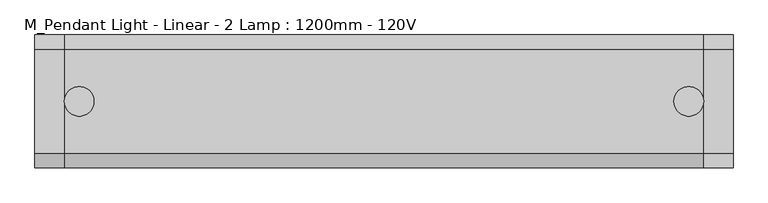
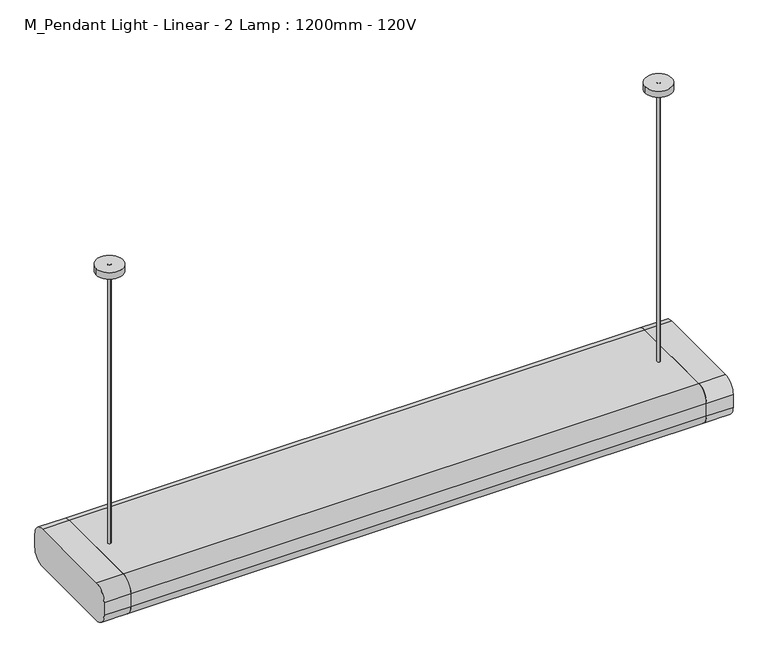
"""IFC4 building model written with IfcOpenShell, lengths in millimetres: light fixture geometry, M_Pendant Light - Linear - 2 Lamp : 1200mm - 120V."""

from ifc_helpers import new_model, si_unit, point, frame, frame_2d, origin, place, context, project, spatial, polyline, circle_curve, trimmed, segment, composite_curve, outline, extrude, source, transform, mapped, element, save


def m_pendant_light_linear_2_lamp_1200mm_120v_860f37b7(model_context):
    return source(origin(), model_context, "Body", "SweptSolid", [
        extrude(outline(composite_curve([segment(trimmed(circle_curve(frame_2d((88.9, 1850.8)), 25.4), [point((88.9, 1876.2))], [point((114.3, 1850.8))], False, "CARTESIAN"), True, "CONTINUOUS"), segment(polyline([(114.3, 1850.8), (114.3, 1825.4)]), True, "CONTINUOUS"), segment(trimmed(circle_curve(frame_2d((88.9, 1825.4)), 25.4), [point((114.3, 1825.4))], [point((88.9, 1800.0))], False, "CARTESIAN"), True, "CONTINUOUS"), segment(polyline([(88.9, 1800.0), (-88.9, 1800.0)]), True, "CONTINUOUS"), segment(trimmed(circle_curve(frame_2d((-88.9, 1825.4)), 25.4), [point((-88.9, 1800.0))], [point((-114.3, 1825.4))], False, "CARTESIAN"), True, "CONTINUOUS"), segment(polyline([(-114.3, 1825.4), (-114.3, 1850.8)]), True, "CONTINUOUS"), segment(trimmed(circle_curve(frame_2d((-88.9, 1850.8)), 25.4), [point((-114.3, 1850.8))], [point((-88.9, 1876.2))], False, "CARTESIAN"), True, "CONTINUOUS"), segment(polyline([(-88.9, 1876.2), (88.9, 1876.2)]), True, "CONTINUOUS")], self_intersect=False)), frame((549.2, 0.0, 0.0), z_axis=(1.0, 0.0, 0.0), x_axis=(0.0, 1.0, 0.0)), (0.0, 0.0, 1.0), 50.8),
        extrude(outline(composite_curve([segment(polyline([(-88.9, 1876.2), (88.9, 1876.2)]), True, "CONTINUOUS"), segment(trimmed(circle_curve(frame_2d((88.9, 1850.8)), 25.4), [point((88.9, 1876.2))], [point((114.3, 1850.8))], False, "CARTESIAN"), True, "CONTINUOUS"), segment(polyline([(114.3, 1850.8), (114.3, 1825.4)]), True, "CONTINUOUS"), segment(trimmed(circle_curve(frame_2d((88.9, 1825.4)), 25.4), [point((114.3, 1825.4))], [point((88.9, 1800.0))], False, "CARTESIAN"), True, "CONTINUOUS"), segment(polyline([(88.9, 1800.0), (-88.9, 1800.0)]), True, "CONTINUOUS"), segment(trimmed(circle_curve(frame_2d((-88.9, 1825.4)), 25.4), [point((-88.9, 1800.0))], [point((-114.3, 1825.4))], False, "CARTESIAN"), True, "CONTINUOUS"), segment(polyline([(-114.3, 1825.4), (-114.3, 1850.8)]), True, "CONTINUOUS"), segment(trimmed(circle_curve(frame_2d((-88.9, 1850.8)), 25.4), [point((-114.3, 1850.8))], [point((-88.9, 1876.2))], False, "CARTESIAN"), True, "CONTINUOUS")], self_intersect=False)), frame((-600.0, 0.0, 0.0), z_axis=(1.0, 0.0, 0.0), x_axis=(0.0, 1.0, 0.0)), (0.0, 0.0, 1.0), 50.8),
        extrude(outline(polyline([(549.2, 63.5), (549.2, -63.5), (-549.2, -63.5), (-549.2, 63.5), (549.2, 63.5)])), frame((0.0, 0.0, 1800.0), z_axis=(0.0, 0.0, 1.0), x_axis=(1.0, 0.0, 0.0)), (0.0, 0.0, 1.0), 12.7),
        extrude(outline(composite_curve([segment(trimmed(circle_curve(frame_2d((-523.8883785, 0.0)), 25.4), [point((-549.2883785, 0.0))], [point((-498.4883785, 0.0))], False, "CARTESIAN"), True, "CONTINUOUS"), segment(trimmed(circle_curve(frame_2d((-523.8883785, 0.0)), 25.4), [point((-498.4883785, 0.0))], [point((-549.2883785, 0.0))], False, "CARTESIAN"), True, "CONTINUOUS")], self_intersect=False)), frame((0.0, 0.0, 2425.7), z_axis=(0.0, 0.0, 1.0), x_axis=(1.0, 0.0, 0.0)), (0.0, 0.0, 1.0), 12.7),
        extrude(outline(composite_curve([segment(trimmed(circle_curve(frame_2d((523.8, 0.0)), 25.4), [point((498.4, 0.0))], [point((549.2, 0.0))], False, "CARTESIAN"), True, "CONTINUOUS"), segment(trimmed(circle_curve(frame_2d((523.8, 0.0)), 25.4), [point((549.2, 0.0))], [point((498.4, 0.0))], False, "CARTESIAN"), True, "CONTINUOUS")], self_intersect=False)), frame((0.0, 0.0, 2425.7), z_axis=(0.0, 0.0, 1.0), x_axis=(1.0, 0.0, 0.0)), (0.0, 0.0, 1.0), 12.7),
        extrude(outline(composite_curve([segment(trimmed(circle_curve(frame_2d((-523.8, 0.0)), 3.175), [point((-523.8, 3.175))], [point((-523.8, -3.175))], False, "CARTESIAN"), True, "CONTINUOUS"), segment(trimmed(circle_curve(frame_2d((-523.8, 0.0)), 3.175), [point((-523.8, -3.175))], [point((-523.8, 3.175))], False, "CARTESIAN"), True, "CONTINUOUS")], self_intersect=False)), frame((0.0, 0.0, 1876.2), z_axis=(0.0, 0.0, 1.0), x_axis=(1.0, 0.0, 0.0)), (0.0, 0.0, 1.0), 562.2),
        extrude(outline(composite_curve([segment(trimmed(circle_curve(frame_2d((523.8, 0.0)), 3.175), [point((523.8, 3.175))], [point((523.8, -3.175))], False, "CARTESIAN"), True, "CONTINUOUS"), segment(trimmed(circle_curve(frame_2d((523.8, 0.0)), 3.175), [point((523.8, -3.175))], [point((523.8, 3.175))], False, "CARTESIAN"), True, "CONTINUOUS")], self_intersect=False)), frame((0.0, 0.0, 1876.2), z_axis=(0.0, 0.0, 1.0), x_axis=(1.0, 0.0, 0.0)), (0.0, 0.0, 1.0), 562.2),
        extrude(outline(composite_curve([segment(polyline([(-88.9, 1876.2), (88.9, 1876.2)]), True, "CONTINUOUS"), segment(trimmed(circle_curve(frame_2d((88.9, 1850.8)), 25.4), [point((88.9, 1876.2))], [point((114.3, 1850.8))], False, "CARTESIAN"), True, "CONTINUOUS"), segment(polyline([(114.3, 1850.8), (114.3, 1825.4)]), True, "CONTINUOUS"), segment(trimmed(circle_curve(frame_2d((88.9, 1825.4)), 25.4), [point((114.3, 1825.4))], [point((88.9, 1800.0))], False, "CARTESIAN"), True, "CONTINUOUS"), segment(polyline([(88.9, 1800.0), (63.5, 1800.0), (63.5, 1825.4), (-63.5, 1825.4), (-63.5, 1800.0), (-88.9, 1800.0)]), True, "CONTINUOUS"), segment(trimmed(circle_curve(frame_2d((-88.9, 1825.4)), 25.4), [point((-88.9, 1800.0))], [point((-114.3, 1825.4))], False, "CARTESIAN"), True, "CONTINUOUS"), segment(polyline([(-114.3, 1825.4), (-114.3, 1850.8)]), True, "CONTINUOUS"), segment(trimmed(circle_curve(frame_2d((-88.9, 1850.8)), 25.4), [point((-114.3, 1850.8))], [point((-88.9, 1876.2))], False, "CARTESIAN"), True, "CONTINUOUS")], self_intersect=False)), frame((-549.2, 0.0, 0.0), z_axis=(1.0, 0.0, 0.0), x_axis=(0.0, 1.0, 0.0)), (0.0, 0.0, 1.0), 1098.4),
    ])


if __name__ == "__main__":
    model = new_model("IFC4")
    model_context = context("Model", 3, world=origin())
    ifc_project = project(units=[si_unit("LENGTHUNIT", "METRE", prefix="MILLI")], contexts=[model_context])
    site = spatial("IfcSite", under=ifc_project)
    building = spatial("IfcBuilding", under=site)
    placement = place(None, origin())
    m_pendant_light_linear_2_lamp_1200mm_120v_shape = m_pendant_light_linear_2_lamp_1200mm_120v_860f37b7(model_context)
    element("IfcLightFixture", 1, ObjectType="M_Pendant Light - Linear - 2 Lamp : 1200mm - 120V", at=placement, inside=building, context=model_context, shape_type="MappedRepresentation", body=[
        mapped(m_pendant_light_linear_2_lamp_1200mm_120v_shape, transform((0.0, 0.0, 0.0), x_axis=(1.0, 0.0, 0.0), y_axis=(0.0, 1.0, 0.0), z_axis=(0.0, 0.0, 1.0))),
    ])
    save(model, "model.ifc")
